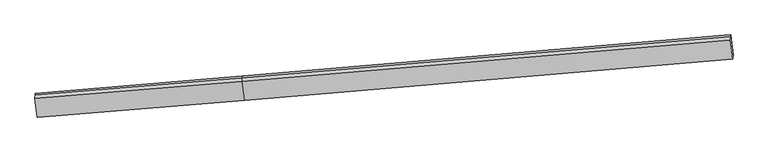
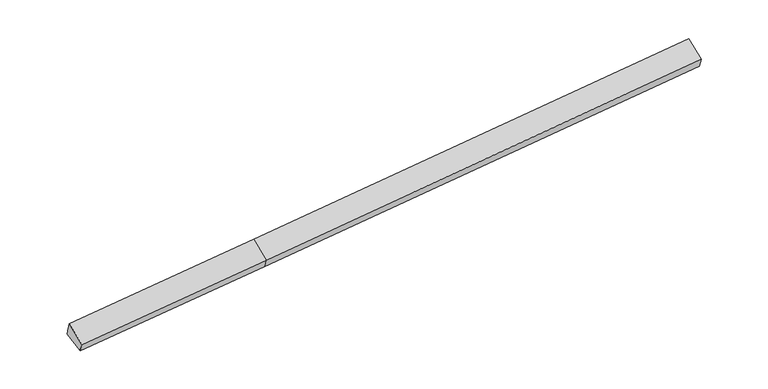
"""IFC4 building model written with IfcOpenShell, lengths in millimetres: proxy geometry."""

from ifc_helpers import new_model, si_unit, frame, origin, place, context, project, spatial, source, transform, mapped, element, save
from ifc_brep_helpers import plane_surface, spline_surface, advanced_brep


def generic_models_5d067a50(model_context):
    return source(origin(), model_context, "Body", "AdvancedBrep", [
        advanced_brep(
        [(-9779.8586092, -2189.3995174, 1279.2977228), (-9785.9363377, -2246.545596, 1455.5356365), (-3081.2207556, -1699.5224586, 1874.6473754), (-3074.3233563, -1634.6693934, 1674.6411951), (-9709.7868232, -2849.3765879, 1052.8480074), (-3004.2515702, -2294.6464639, 1448.1914798), (-9718.4417186, -2968.3756076, 1355.3191393), (-3013.7261364, -2421.3524702, 1774.4308782), (-9795.9610971, -2359.6143007, 1771.9780437), (-3091.245515, -1812.5911633, 2191.0897827), (12838.9060989, -1075.5416587, 2757.5099543), (12848.3806651, -948.8356523, 2431.2705558), (12778.3088791, -288.8585819, 2657.7202712), (12771.4114798, -353.7116471, 2857.7264515), (12761.3867204, -466.7803518, 3174.1688587)],
        [
            (0, 1),
            (1, 2),
            (2, 3),
            (3, 0),
            (4, 0),
            (0, 5),
            (5, 4),
            (6, 4),
            (5, 7),
            (7, 6),
            (8, 6),
            (7, 9),
            (9, 8),
            (1, 8),
            (9, 2),
            (10, 11),
            (11, 12),
            (12, 13),
            (13, 14),
            (14, 10),
            (3, 5),
            (5, 11),
            (10, 7),
            (3, 12),
            (2, 13),
            (9, 14),
        ],
        [
            plane_surface(frame((-9782.8974735, -2217.9725567, 1367.4166796), z_axis=(-0.09633120981054379, 0.9477881192329233, 0.3040032550111187), x_axis=(-0.03278683199985998, -0.30827946241843013, 0.9507306646461009))),
            plane_surface(frame((-9744.8227162, -2519.3880526, 1166.0728651), z_axis=(0.028625815836330417, 0.3271295415343369, -0.9445458303985251), x_axis=(-0.09992333323159255, 0.9411364043927118, 0.3229204171350059))),
            spline_surface(1, 1, [[(-9718.4417186, -2968.3756076, 1355.3191393), (-3013.7261364, -2421.3524702, 1774.4308782)], [(-9709.7868232, -2849.3765879, 1052.8480074), (-3004.2515702, -2294.6464639, 1448.1914798)]], [2, 2], [2, 2], [0.0, 1.0], [0.0, 1.0]),
            plane_surface(frame((-9757.2014078, -2663.9949542, 1563.6485915), z_axis=(-0.005443979280779006, -0.5652749588686948, 0.8248845882701326), x_axis=(0.1045077076615616, -0.8207012219197138, -0.5617184734177918))),
            plane_surface(frame((-9790.9487174, -2303.0799484, 1613.7568401), z_axis=(-0.09730774274988839, 0.9381952522772249, 0.33214585923265083), x_axis=(-0.029819113073787342, -0.33632812082042846, 0.9412726574382643))),
            plane_surface(frame((12799.6787687, -626.7455783, 2775.6792183), z_axis=(0.9945189608136521, 0.08442978742279196, 0.06167371869666913), x_axis=(0.02706175987914333, 0.36190443479872997, -0.9318223227768562))),
            plane_surface(frame((-9757.9969172, -2522.6623219, 1382.9957099), z_axis=(-0.9945189608136525, -0.0844297874227919, -0.06167371869665974), x_axis=(0.03278683199985877, 0.30827946241843013, -0.9507306646461009))),
            plane_surface(frame((-9779.8586092, -2189.3995174, 1279.2977228), z_axis=(0.028625815836330396, 0.3271295415343363, -0.9445458303985252), x_axis=(-0.09992333323159261, 0.941136404392712, 0.32292041713500536))),
            plane_surface(frame((-3008.9888533, -2357.999467, 1611.311179), z_axis=(0.10099355293471578, -0.9283839674772255, -0.3576360037760023), x_axis=(0.02706175987914333, 0.36190443479872997, -0.9318223227768562))),
            plane_surface(frame((-3039.2874633, -1964.6579286, 1561.4163375), z_axis=(0.030779279686514012, 0.32731312121957457, -0.9444145046638575), x_axis=(-0.09992333323159566, 0.9411364043927117, 0.3229204171350052))),
            plane_surface(frame((-3077.7720559, -1667.095926, 1774.6442853), z_axis=(-0.09928272875755545, 0.9475417584712268, 0.3038215853485547), x_axis=(-0.032786831999852266, -0.30827946241843074, 0.9507306646461009))),
            plane_surface(frame((-3086.2331353, -1756.0568109, 2032.868579), z_axis=(-0.10021405628765803, 0.9379525607093044, 0.3319670718327842), x_axis=(-0.029819113073790565, -0.33632812082042807, 0.9412726574382644))),
            plane_surface(frame((-3052.4858257, -2116.9718167, 1982.7603304), z_axis=(-0.0031899249925620016, -0.5650850514172385, 0.8250264899040024), x_axis=(0.10450770766155924, -0.8207012219197187, -0.5617184734177849))),
        ],
        [
            (0, [[1, 2, 3, 4]]),
            (1, [[5, 6, 7]]),
            (2, [[8, -7, 9, 10]]),
            (3, [[11, -10, 12, 13]]),
            (4, [[14, -13, 15, -2]]),
            (5, [[16, 17, 18, 19, 20]]),
            (6, [[-1, -5, -8, -11, -14]]),
            (7, [[21, -6, -4]]),
            (8, [[-9, 22, -16, 23]]),
            (9, [[-21, 24, -17, -22]]),
            (10, [[-3, 25, -18, -24]]),
            (11, [[-15, 26, -19, -25]]),
            (12, [[-12, -23, -20, -26]]),
        ],
    ),
    ])


if __name__ == "__main__":
    model = new_model("IFC4")
    model_context = context("Model", 3, world=origin())
    ifc_project = project(units=[si_unit("LENGTHUNIT", "METRE", prefix="MILLI")], contexts=[model_context])
    site = spatial("IfcSite", under=ifc_project)
    building = spatial("IfcBuilding", under=site)
    placement = place(None, origin())
    generic_models_shape = generic_models_5d067a50(model_context)
    element("IfcBuildingElementProxy", 1, Name="Generic Models", at=placement, inside=building, context=model_context, shape_type="MappedRepresentation", body=[
        mapped(generic_models_shape, transform((0.0, 0.0, 0.0), x_axis=(1.0, 0.0, 0.0), y_axis=(0.0, 1.0, 0.0), z_axis=(0.0, 0.0, 1.0))),
    ])
    save(model, "model.ifc")
